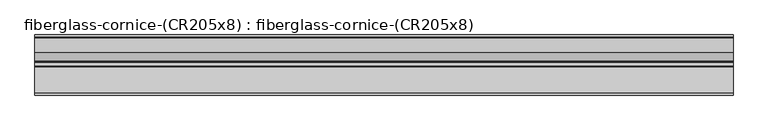
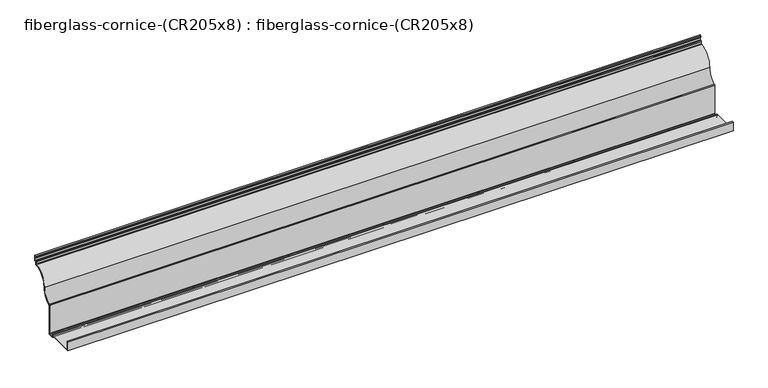
"""IFC4 building model written with IfcOpenShell, lengths in millimetres: furniture geometry, fiberglass-cornice-(CR205x8) : fiberglass-cornice-(CR205x8)."""

from ifc_helpers import new_model, si_unit, frame, origin, place, context, project, spatial, polyline, circle_curve, source, transform, mapped, element, save
from ifc_brep_helpers import plane_surface, cylinder_surface, revolved_surface, advanced_brep


def fiberglass_cornice_cr205x8_fiberglass_cornice_cr205x8_4cad8f6f(model_context):
    return source(origin(), model_context, "Body", "AdvancedBrep", [
        advanced_brep(
        [(2012.9498044, 448.402592, 330.1999904), (2012.9498044, 438.8775863, 330.1999904), (2012.9498044, 438.8775863, 323.1186282), (2012.9498044, 441.2588365, 318.9941821), (2012.9498044, 443.6400868, 314.8697359), (2012.9498044, 443.6400868, 301.5121653), (2012.9498044, 440.4650868, 298.3371653), (2012.9498044, 438.8805682, 298.3371653), (2012.9498044, 435.7025789, 295.1621667), (2012.9498044, 435.7025789, 282.1864826), (2012.9498044, 432.770084, 279.0207573), (2012.9498044, 347.7761057, 184.5765721), (2012.9498044, 300.4422511, 105.0961744), (2012.9498044, 298.645484, 104.5975338), (2012.9498044, 295.2951398, 101.1846656), (2012.9498044, 295.2951398, -77.5034025), (2012.9498044, 292.1201354, -80.6784025), (2012.9498044, 271.3552762, -80.6784023), (2012.9498044, 268.1802762, -77.5034023), (2012.9498044, 268.1802762, -71.1534015), (2012.9498044, 265.0052762, -67.9784015), (2012.9498044, 114.3220741, -67.9784015), (2012.9498044, 111.1249944, -64.8034783), (2012.9498044, 111.1249944, -17.1784797), (2012.9498044, 101.6, -17.1784797), (2012.9498044, 101.6, -72.7409765), (2012.9498044, 260.2207008, -72.7409765), (2012.9498044, 263.4177805, -75.9158997), (2012.9498044, 263.4177805, -82.2659005), (2012.9498044, 266.5927804, -85.4409003), (2012.9498044, 296.882645, -85.4409003), (2012.9498044, 300.057645, -82.2659003), (2012.9498044, 300.057645, 96.8822955), (2012.9498044, 302.6878327, 100.0102029), (2012.9498044, 304.027068, 100.4557582), (2012.9498044, 352.5801605, 183.4968665), (2012.9498044, 437.3782283, 274.4935379), (2012.9498044, 440.4650842, 277.6673142), (2012.9498044, 440.4650842, 290.399668), (2012.9498044, 443.63751, 293.5746669), (2012.9498044, 445.227592, 293.5746669), (2012.9498044, 448.402592, 296.7496669), (-2012.9498044, 448.402592, 330.1999904), (-2012.9498044, 448.402592, 296.7496669), (-2012.9498044, 445.227592, 293.5746669), (-2012.9498044, 443.63751, 293.5746669), (-2012.9498044, 440.4650842, 290.399668), (-2012.9498044, 440.4650842, 277.6673142), (-2012.9498044, 437.3782283, 274.4935379), (-2012.9498044, 352.5801605, 183.4968665), (-2012.9498044, 304.027068, 100.4557582), (-2012.9498044, 302.6878327, 100.0102029), (-2012.9498044, 300.057645, 96.8822955), (-2012.9498044, 300.057645, -82.2659003), (-2012.9498044, 296.882645, -85.4409003), (-2012.9498044, 266.5927804, -85.4409003), (-2012.9498044, 263.4177805, -82.2659005), (-2012.9498044, 263.4177805, -75.9158997), (-2012.9498044, 260.2207008, -72.7409765), (-2012.9498044, 101.6, -72.7409765), (-2012.9498044, 101.6, -17.1784797), (-2012.9498044, 111.1249944, -17.1784797), (-2012.9498044, 111.1249944, -64.8034783), (-2012.9498044, 114.3220741, -67.9784015), (-2012.9498044, 265.0052762, -67.9784015), (-2012.9498044, 268.1802762, -71.1534015), (-2012.9498044, 268.1802762, -77.5034023), (-2012.9498044, 271.3552762, -80.6784023), (-2012.9498044, 292.1201354, -80.6784023), (-2012.9498044, 295.2951354, -77.5034025), (-2012.9498044, 295.2951398, 101.1846656), (-2012.9498044, 298.645484, 104.5975338), (-2012.9498044, 300.4422511, 105.0961744), (-2012.9498044, 347.7761057, 184.5765721), (-2012.9498044, 432.770084, 279.0207573), (-2012.9498044, 435.7025789, 282.1864826), (-2012.9498044, 435.7025789, 295.1621667), (-2012.9498044, 438.8805682, 298.3371653), (-2012.9498044, 440.4650868, 298.3371653), (-2012.9498044, 443.6400868, 301.5121653), (-2012.9498044, 443.6400868, 314.8697359), (-2012.9498044, 441.2588365, 318.9941821), (-2012.9498044, 438.8775863, 323.1186282), (-2012.9498044, 438.8775863, 330.1999904)],
        [
            (0, 1),
            (1, 2),
            (2, 3, circle_curve(frame((2012.9498044, 443.6400863, 323.1186282), z_axis=(1.0, 0.0, 0.0), x_axis=(0.0, 1.0, 0.0)), 4.7625)),
            (3, 4, circle_curve(frame((2012.9498044, 438.8775868, 314.8697359), z_axis=(-1.0, 0.0, 0.0), x_axis=(0.0, 1.0, 0.0)), 4.7625)),
            (4, 5),
            (5, 6, circle_curve(frame((2012.9498044, 440.4650868, 301.5121653), z_axis=(-1.0, 0.0, 0.0), x_axis=(0.0, 1.0, 0.0)), 3.175)),
            (6, 7),
            (7, 8, circle_curve(frame((2012.9498044, 438.8775789, 295.1621667), z_axis=(1.0, 0.0, 0.0), x_axis=(0.0, 1.0, 0.0)), 3.175)),
            (8, 9),
            (9, 10, circle_curve(frame((2012.9498044, 432.5275789, 282.1864826), z_axis=(-1.0, 0.0, 0.0), x_axis=(0.0, 1.0, 0.0)), 3.175)),
            (10, 11, circle_curve(frame((2012.9498044, 439.8018848, 187.2257893), z_axis=(1.0, 0.0, 0.0), x_axis=(0.0, 1.0, 0.0)), 92.0639037)),
            (11, 12, circle_curve(frame((2012.9498044, 261.5478046, 182.0942513), z_axis=(-1.0, 0.0, 0.0), x_axis=(0.0, 1.0, 0.0)), 86.2640239)),
            (12, 13, circle_curve(frame((2012.9498044, 298.2949504, 109.3471161), z_axis=(-1.0, 0.0, 0.0), x_axis=(0.0, 1.0, 0.0)), 4.7625)),
            (13, 14, circle_curve(frame((2012.9498044, 298.9121091, 100.9848763), z_axis=(1.0, 0.0, 0.0), x_axis=(0.0, 1.0, 0.0)), 3.622483)),
            (14, 15),
            (15, 16, circle_curve(frame((2012.9498044, 292.1201354, -77.5034025), z_axis=(-1.0, 0.0, 0.0), x_axis=(0.0, 1.0, 0.0)), 3.175)),
            (16, 17),
            (17, 18, circle_curve(frame((2012.9498044, 271.3552762, -77.5034023), z_axis=(-1.0, 0.0, 0.0), x_axis=(0.0, 1.0, 0.0)), 3.175)),
            (18, 19),
            (19, 20, circle_curve(frame((2012.9498044, 265.0052762, -71.1534015), z_axis=(1.0, 0.0, 0.0), x_axis=(0.0, 1.0, 0.0)), 3.175)),
            (20, 21),
            (21, 22, circle_curve(frame((2012.9498044, 114.2999944, -64.8034783), z_axis=(-1.0, 0.0, 0.0), x_axis=(0.0, 1.0, 0.0)), 3.175)),
            (22, 23),
            (23, 24),
            (24, 25),
            (25, 26),
            (26, 27, circle_curve(frame((2012.9498044, 260.2427805, -75.9158997), z_axis=(-1.0, 0.0, 0.0), x_axis=(0.0, 1.0, 0.0)), 3.175)),
            (27, 28),
            (28, 29, circle_curve(frame((2012.9498044, 266.5927804, -82.2659005), z_axis=(1.0, 0.0, 0.0), x_axis=(0.0, 1.0, 0.0)), 3.1749999)),
            (29, 30),
            (30, 31, circle_curve(frame((2012.9498044, 296.882645, -82.2659003), z_axis=(1.0, 0.0, 0.0), x_axis=(0.0, 1.0, 0.0)), 3.175)),
            (31, 32),
            (32, 33, circle_curve(frame((2012.9498044, 303.232645, 96.8822955), z_axis=(-1.0, 0.0, 0.0), x_axis=(0.0, 1.0, 0.0)), 3.175)),
            (33, 34, circle_curve(frame((2012.9498044, 301.8706141, 104.702064), z_axis=(1.0, 0.0, 0.0), x_axis=(0.0, 1.0, 0.0)), 4.7625)),
            (34, 35, circle_curve(frame((2012.9498044, 263.7831823, 179.7005981), z_axis=(1.0, 0.0, 0.0), x_axis=(0.0, 1.0, 0.0)), 88.8780906)),
            (35, 36, circle_curve(frame((2012.9498044, 439.8018848, 187.2257893), z_axis=(-1.0, 0.0, 0.0), x_axis=(0.0, 1.0, 0.0)), 87.3013978)),
            (36, 37, circle_curve(frame((2012.9498044, 437.2900842, 277.6673142), z_axis=(1.0, 0.0, 0.0), x_axis=(0.0, 1.0, 0.0)), 3.175)),
            (37, 38),
            (38, 39, circle_curve(frame((2012.9498044, 443.6400842, 290.399668), z_axis=(-1.0, 0.0, 0.0), x_axis=(0.0, 1.0, 0.0)), 3.175)),
            (39, 40),
            (40, 41, circle_curve(frame((2012.9498044, 445.227592, 296.7496669), z_axis=(1.0, 0.0, 0.0), x_axis=(0.0, 1.0, 0.0)), 3.175)),
            (41, 0),
            (42, 43),
            (43, 44, circle_curve(frame((-2012.9498044, 445.227592, 296.7496669), z_axis=(-1.0, 0.0, 0.0), x_axis=(0.0, 1.0, 0.0)), 3.175)),
            (44, 45),
            (45, 46, circle_curve(frame((-2012.9498044, 443.6400842, 290.399668), z_axis=(1.0, 0.0, 0.0), x_axis=(0.0, 1.0, 0.0)), 3.175)),
            (46, 47),
            (47, 48, circle_curve(frame((-2012.9498044, 437.2900842, 277.6673142), z_axis=(-1.0, 0.0, 0.0), x_axis=(0.0, 1.0, 0.0)), 3.175)),
            (48, 49, circle_curve(frame((-2012.9498044, 439.8018848, 187.2257893), z_axis=(1.0, 0.0, 0.0), x_axis=(0.0, 1.0, 0.0)), 87.3013978)),
            (49, 50, circle_curve(frame((-2012.9498044, 263.7831823, 179.7005981), z_axis=(-1.0, 0.0, 0.0), x_axis=(0.0, 1.0, 0.0)), 88.8780906)),
            (50, 51, circle_curve(frame((-2012.9498044, 301.8706141, 104.702064), z_axis=(-1.0, 0.0, 0.0), x_axis=(0.0, 1.0, 0.0)), 4.7625)),
            (51, 52, circle_curve(frame((-2012.9498044, 303.232645, 96.8822955), z_axis=(1.0, 0.0, 0.0), x_axis=(0.0, 1.0, 0.0)), 3.175)),
            (52, 53),
            (53, 54, circle_curve(frame((-2012.9498044, 296.882645, -82.2659003), z_axis=(-1.0, 0.0, 0.0), x_axis=(0.0, 1.0, 0.0)), 3.175)),
            (54, 55),
            (55, 56, circle_curve(frame((-2012.9498044, 266.5927804, -82.2659005), z_axis=(-1.0, 0.0, 0.0), x_axis=(0.0, 1.0, 0.0)), 3.1749999)),
            (56, 57),
            (57, 58, circle_curve(frame((-2012.9498044, 260.2427805, -75.9158997), z_axis=(1.0, 0.0, 0.0), x_axis=(0.0, 1.0, 0.0)), 3.175)),
            (58, 59),
            (59, 60),
            (60, 61),
            (61, 62),
            (62, 63, circle_curve(frame((-2012.9498044, 114.2999944, -64.8034783), z_axis=(1.0, 0.0, 0.0), x_axis=(0.0, 1.0, 0.0)), 3.175)),
            (63, 64),
            (64, 65, circle_curve(frame((-2012.9498044, 265.0052762, -71.1534015), z_axis=(-1.0, 0.0, 0.0), x_axis=(0.0, 1.0, 0.0)), 3.175)),
            (65, 66),
            (66, 67, circle_curve(frame((-2012.9498044, 271.3552762, -77.5034023), z_axis=(1.0, 0.0, 0.0), x_axis=(0.0, 1.0, 0.0)), 3.175)),
            (67, 68),
            (68, 69, circle_curve(frame((-2012.9498044, 292.1201354, -77.5034025), z_axis=(1.0, 0.0, 0.0), x_axis=(0.0, 1.0, 0.0)), 3.175)),
            (69, 70),
            (70, 71, circle_curve(frame((-2012.9498044, 298.9121091, 100.9848763), z_axis=(-1.0, 0.0, 0.0), x_axis=(0.0, 1.0, 0.0)), 3.622483)),
            (71, 72, circle_curve(frame((-2012.9498044, 298.2949504, 109.3471161), z_axis=(1.0, 0.0, 0.0), x_axis=(0.0, 1.0, 0.0)), 4.7625)),
            (72, 73, circle_curve(frame((-2012.9498044, 261.5478046, 182.0942513), z_axis=(1.0, 0.0, 0.0), x_axis=(0.0, 1.0, 0.0)), 86.2640239)),
            (73, 74, circle_curve(frame((-2012.9498044, 439.8018848, 187.2257893), z_axis=(-1.0, 0.0, 0.0), x_axis=(0.0, 1.0, 0.0)), 92.0639037)),
            (74, 75, circle_curve(frame((-2012.9498044, 432.5275789, 282.1864826), z_axis=(1.0, 0.0, 0.0), x_axis=(0.0, 1.0, 0.0)), 3.175)),
            (75, 76),
            (76, 77, circle_curve(frame((-2012.9498044, 438.8775789, 295.1621667), z_axis=(-1.0, 0.0, 0.0), x_axis=(0.0, 1.0, 0.0)), 3.175)),
            (77, 78),
            (78, 79, circle_curve(frame((-2012.9498044, 440.4650868, 301.5121653), z_axis=(1.0, 0.0, 0.0), x_axis=(0.0, 1.0, 0.0)), 3.175)),
            (79, 80),
            (80, 81, circle_curve(frame((-2012.9498044, 438.8775868, 314.8697359), z_axis=(1.0, 0.0, 0.0), x_axis=(0.0, 1.0, 0.0)), 4.7625)),
            (81, 82, circle_curve(frame((-2012.9498044, 443.6400863, 323.1186282), z_axis=(-1.0, 0.0, 0.0), x_axis=(0.0, 1.0, 0.0)), 4.7625)),
            (82, 83),
            (83, 42),
            (0, 42),
            (83, 1),
            (82, 2),
            (81, 3),
            (80, 4),
            (79, 5),
            (78, 6),
            (77, 7),
            (76, 8),
            (75, 9),
            (74, 10),
            (73, 11),
            (72, 12),
            (71, 13),
            (70, 14),
            (69, 15),
            (68, 16),
            (67, 17),
            (66, 18),
            (65, 19),
            (64, 20),
            (63, 21),
            (62, 22),
            (61, 23),
            (60, 24),
            (59, 25),
            (58, 26),
            (57, 27),
            (56, 28),
            (55, 29),
            (54, 30),
            (53, 31),
            (52, 32),
            (51, 33),
            (50, 34),
            (49, 35),
            (48, 36),
            (47, 37),
            (46, 38),
            (45, 39),
            (44, 40),
            (43, 41),
        ],
        [
            plane_surface(frame((2012.9498044, 101.6, 330.1999904), z_axis=(1.0, 0.0, 0.0), x_axis=(0.0, 0.0, 1.0))),
            plane_surface(frame((-2012.9498044, 101.6, 330.1999904), z_axis=(-1.0, 0.0, 0.0), x_axis=(0.0, 0.0, 1.0))),
            plane_surface(frame((2012.9498044, 448.402592, 330.1999904), z_axis=(0.0, 0.0, 1.0), x_axis=(-1.0, 0.0, 0.0))),
            plane_surface(frame((2012.9498044, 438.8775863, 330.1999904), z_axis=(0.0, -1.0, 0.0), x_axis=(-1.0, 0.0, 0.0))),
            cylinder_surface(frame((2012.9498044, 443.6400863, 323.1186282), z_axis=(1.0, 0.0, 0.0), x_axis=(0.0, 1.0, 0.0)), 4.7625),
            revolved_surface(polyline([(-2012.9498044, 443.6400868, 314.8697359), (2012.9498044, 443.6400868, 314.8697359)]), (2012.9498044, 438.8775868, 314.8697359), (-1.0, 0.0, 0.0)),
            plane_surface(frame((2012.9498044, 443.6400868, 314.8697359), z_axis=(0.0, -1.0, 0.0), x_axis=(-1.0, 0.0, 0.0))),
            revolved_surface(polyline([(-2012.9498044, 443.6400868, 301.5121653), (2012.9498044, 443.6400868, 301.5121653)]), (2012.9498044, 440.4650868, 301.5121653), (-1.0, 0.0, 0.0)),
            plane_surface(frame((2012.9498044, 440.4650868, 298.3371653), z_axis=(0.0, 0.0, 1.0), x_axis=(-1.0, 0.0, 0.0))),
            cylinder_surface(frame((2012.9498044, 438.8775789, 295.1621667), z_axis=(1.0, 0.0, 0.0), x_axis=(0.0, 1.0, 0.0)), 3.175),
            plane_surface(frame((2012.9498044, 435.7025789, 295.1621667), z_axis=(0.0, -1.0, 0.0), x_axis=(-1.0, 0.0, 0.0))),
            revolved_surface(polyline([(-2012.9498044, 435.7025789, 282.1864826), (2012.9498044, 435.7025789, 282.1864826)]), (2012.9498044, 432.5275789, 282.1864826), (-1.0, 0.0, 0.0)),
            cylinder_surface(frame((2012.9498044, 439.8018848, 187.2257893), z_axis=(1.0, 0.0, 0.0), x_axis=(0.0, 1.0, 0.0)), 92.0639037),
            revolved_surface(polyline([(-2012.9498044, 347.8118285, 182.0942513), (2012.9498044, 347.8118285, 182.0942513)]), (2012.9498044, 261.5478046, 182.0942513), (-1.0, 0.0, 0.0)),
            revolved_surface(polyline([(-2012.9498044, 303.0574504, 109.3471161), (2012.9498044, 303.0574504, 109.3471161)]), (2012.9498044, 298.2949504, 109.3471161), (-1.0, 0.0, 0.0)),
            cylinder_surface(frame((2012.9498044, 298.9121091, 100.9848763), z_axis=(1.0, 0.0, 0.0), x_axis=(0.0, 1.0, 0.0)), 3.622483),
            plane_surface(frame((2012.9498044, 295.2951398, -72.7645836), z_axis=(0.0, -1.0, 0.0), x_axis=(-1.0, 0.0, 0.0))),
            revolved_surface(polyline([(-2012.9498044, 295.2951354, -77.5034025), (2012.9498044, 295.2951354, -77.5034025)]), (2012.9498044, 292.1201354, -77.5034025), (-1.0, 0.0, 0.0)),
            plane_surface(frame((2012.9498044, 292.1201354, -80.6784023), z_axis=(0.0, 0.0, 1.0), x_axis=(-1.0, 0.0, 0.0))),
            revolved_surface(polyline([(-2012.9498044, 274.5302762, -77.5034023), (2012.9498044, 274.5302762, -77.5034023)]), (2012.9498044, 271.3552762, -77.5034023), (-1.0, 0.0, 0.0)),
            plane_surface(frame((2012.9498044, 268.1802762, -77.5034023), z_axis=(0.0, 1.0, 0.0), x_axis=(-1.0, 0.0, 0.0))),
            cylinder_surface(frame((2012.9498044, 265.0052762, -71.1534015), z_axis=(1.0, 0.0, 0.0), x_axis=(0.0, 1.0, 0.0)), 3.175),
            plane_surface(frame((2012.9498044, 265.0052762, -67.9784015), z_axis=(0.0, 0.0, 1.0), x_axis=(-1.0, 0.0, 0.0))),
            revolved_surface(polyline([(-2012.9498044, 117.4749944, -64.8034783), (2012.9498044, 117.4749944, -64.8034783)]), (2012.9498044, 114.2999944, -64.8034783), (-1.0, 0.0, 0.0)),
            plane_surface(frame((2012.9498044, 111.1249944, -64.8034783), z_axis=(0.0, 1.0, 0.0), x_axis=(-1.0, 0.0, 0.0))),
            plane_surface(frame((2012.9498044, 111.1249944, -17.1784797), z_axis=(0.0, 0.0, 1.0), x_axis=(-1.0, 0.0, 0.0))),
            plane_surface(frame((2012.9498044, 101.6, -17.1784797), z_axis=(0.0, -1.0, 0.0), x_axis=(-1.0, 0.0, 0.0))),
            plane_surface(frame((2012.9498044, 101.6, -72.7409765), z_axis=(0.0, 0.0, -1.0), x_axis=(-1.0, 0.0, 0.0))),
            revolved_surface(polyline([(-2012.9498044, 263.4177805, -75.9158997), (2012.9498044, 263.4177805, -75.9158997)]), (2012.9498044, 260.2427805, -75.9158997), (-1.0, 0.0, 0.0)),
            plane_surface(frame((2012.9498044, 263.4177805, -75.9158997), z_axis=(0.0, -1.0, 0.0), x_axis=(-1.0, 0.0, 0.0))),
            cylinder_surface(frame((2012.9498044, 266.5927804, -82.2659005), z_axis=(1.0, 0.0, 0.0), x_axis=(0.0, 1.0, 0.0)), 3.1749999),
            plane_surface(frame((2012.9498044, 266.5927804, -85.4409003), z_axis=(0.0, 0.0, -1.0), x_axis=(-1.0, 0.0, 0.0))),
            cylinder_surface(frame((2012.9498044, 296.882645, -82.2659003), z_axis=(1.0, 0.0, 0.0), x_axis=(0.0, 1.0, 0.0)), 3.175),
            plane_surface(frame((2012.9498044, 300.057645, -82.2659003), z_axis=(0.0, 1.0, 0.0), x_axis=(-1.0, 0.0, 0.0))),
            revolved_surface(polyline([(-2012.9498044, 306.407645, 96.8822955), (2012.9498044, 306.407645, 96.8822955)]), (2012.9498044, 303.232645, 96.8822955), (-1.0, 0.0, 0.0)),
            cylinder_surface(frame((2012.9498044, 301.8706141, 104.702064), z_axis=(1.0, 0.0, 0.0), x_axis=(0.0, 1.0, 0.0)), 4.7625),
            cylinder_surface(frame((2012.9498044, 263.7831823, 179.7005981), z_axis=(1.0, 0.0, 0.0), x_axis=(0.0, 1.0, 0.0)), 88.8780906),
            revolved_surface(polyline([(-2012.9498044, 527.1032826, 187.2257893), (2012.9498044, 527.1032826, 187.2257893)]), (2012.9498044, 439.8018848, 187.2257893), (-1.0, 0.0, 0.0)),
            cylinder_surface(frame((2012.9498044, 437.2900842, 277.6673142), z_axis=(1.0, 0.0, 0.0), x_axis=(0.0, 1.0, 0.0)), 3.175),
            plane_surface(frame((2012.9498044, 440.4650842, 277.6673142), z_axis=(0.0, 1.0, 0.0), x_axis=(-1.0, 0.0, 0.0))),
            revolved_surface(polyline([(-2012.9498044, 446.8150842, 290.399668), (2012.9498044, 446.8150842, 290.399668)]), (2012.9498044, 443.6400842, 290.399668), (-1.0, 0.0, 0.0)),
            plane_surface(frame((2012.9498044, 443.63751, 293.5746669), z_axis=(0.0, 0.0, -1.0), x_axis=(-1.0, 0.0, 0.0))),
            cylinder_surface(frame((2012.9498044, 445.227592, 296.7496669), z_axis=(1.0, 0.0, 0.0), x_axis=(0.0, 1.0, 0.0)), 3.175),
            plane_surface(frame((2012.9498044, 448.402592, 296.7496669), z_axis=(0.0, 1.0, 0.0), x_axis=(-1.0, 0.0, 0.0))),
        ],
        [
            (0, [[1, 2, 3, 4, 5, 6, 7, 8, 9, 10, 11, 12, 13, 14, 15, 16, 17, 18, 19, 20, 21, 22, 23, 24, 25, 26, 27, 28, 29, 30, 31, 32, 33, 34, 35, 36, 37, 38, 39, 40, 41, 42]]),
            (1, [[43, 44, 45, 46, 47, 48, 49, 50, 51, 52, 53, 54, 55, 56, 57, 58, 59, 60, 61, 62, 63, 64, 65, 66, 67, 68, 69, 70, 71, 72, 73, 74, 75, 76, 77, 78, 79, 80, 81, 82, 83, 84]]),
            (2, [[-1, 85, -84, 86]]),
            (3, [[-2, -86, -83, 87]]),
            (4, [[-3, -87, -82, 88]]),
            (5, [[-4, -88, -81, 89]]),
            (6, [[-5, -89, -80, 90]]),
            (7, [[-6, -90, -79, 91]]),
            (8, [[-7, -91, -78, 92]]),
            (9, [[-8, -92, -77, 93]]),
            (10, [[-9, -93, -76, 94]]),
            (11, [[-10, -94, -75, 95]]),
            (12, [[-11, -95, -74, 96]]),
            (13, [[-12, -96, -73, 97]]),
            (14, [[-13, -97, -72, 98]]),
            (15, [[-14, -98, -71, 99]]),
            (16, [[-99, -70, 100, -15]]),
            (17, [[-16, -100, -69, 101]]),
            (18, [[-17, -101, -68, 102]]),
            (19, [[-18, -102, -67, 103]]),
            (20, [[-19, -103, -66, 104]]),
            (21, [[-20, -104, -65, 105]]),
            (22, [[-21, -105, -64, 106]]),
            (23, [[-22, -106, -63, 107]]),
            (24, [[-23, -107, -62, 108]]),
            (25, [[-24, -108, -61, 109]]),
            (26, [[-25, -109, -60, 110]]),
            (27, [[-26, -110, -59, 111]]),
            (28, [[-27, -111, -58, 112]]),
            (29, [[-28, -112, -57, 113]]),
            (30, [[-29, -113, -56, 114]]),
            (31, [[-30, -114, -55, 115]]),
            (32, [[-31, -115, -54, 116]]),
            (33, [[-32, -116, -53, 117]]),
            (34, [[-33, -117, -52, 118]]),
            (35, [[-34, -118, -51, 119]]),
            (36, [[-35, -119, -50, 120]]),
            (37, [[-36, -120, -49, 121]]),
            (38, [[-37, -121, -48, 122]]),
            (39, [[-38, -122, -47, 123]]),
            (40, [[-39, -123, -46, 124]]),
            (41, [[-40, -124, -45, 125]]),
            (42, [[-41, -125, -44, 126]]),
            (43, [[-42, -126, -43, -85]]),
        ],
    ),
    ])


if __name__ == "__main__":
    model = new_model("IFC4")
    model_context = context("Model", 3, world=origin())
    ifc_project = project(units=[si_unit("LENGTHUNIT", "METRE", prefix="MILLI")], contexts=[model_context])
    site = spatial("IfcSite", under=ifc_project)
    building = spatial("IfcBuilding", under=site)
    placement = place(None, origin())
    fiberglass_cornice_cr205x8_fiberglass_cornice_cr205x8_shape = fiberglass_cornice_cr205x8_fiberglass_cornice_cr205x8_4cad8f6f(model_context)
    element("IfcFurniture", 1, ObjectType="fiberglass-cornice-(CR205x8) : fiberglass-cornice-(CR205x8)", at=placement, inside=building, context=model_context, shape_type="MappedRepresentation", body=[
        mapped(fiberglass_cornice_cr205x8_fiberglass_cornice_cr205x8_shape, transform((0.0, 0.0, 0.0), x_axis=(1.0, 0.0, 0.0), y_axis=(0.0, 1.0, 0.0), z_axis=(0.0, 0.0, 1.0))),
    ])
    save(model, "model.ifc")
